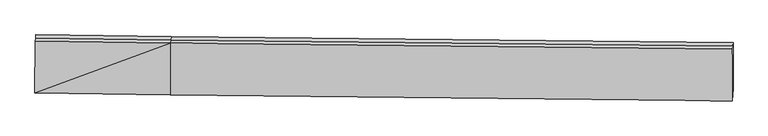
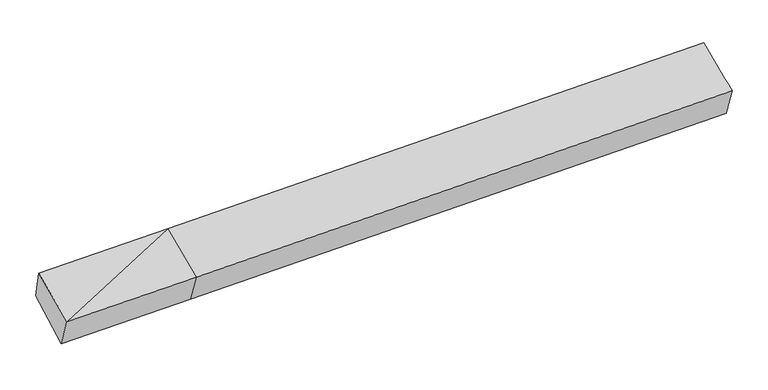
"""IFC4 building model written with IfcOpenShell, lengths in millimetres: proxy geometry."""

from ifc_helpers import new_model, si_unit, frame, origin, place, context, project, spatial, source, transform, mapped, element, save
from ifc_brep_helpers import plane_surface, spline_surface, advanced_brep


def generic_models_47d05ddd(model_context):
    return source(origin(), model_context, "Body", "AdvancedBrep", [
        advanced_brep(
        [(-2788.3340816, -1864.0902066, 1928.7614833), (-2778.505156, -1741.2451471, 1603.9666507), (-1426.3960418, -1761.390699, 1637.2645893), (-1436.2249674, -1884.2357586, 1962.0594219), (-2786.084462, -1341.9474455, 2153.3136132), (-1433.9753479, -1362.0929975, 2186.6115518), (-2781.9588128, -1310.1513317, 2005.022821), (-1429.8496986, -1330.2968836, 2038.3207596), (-2777.8331635, -1278.3552178, 1856.7320289), (-1425.7240494, -1298.5007697, 1890.0299675), (4195.4263605, -1389.3572863, 2180.6636453), (4191.3404808, -1420.8468992, 2327.5249772), (4188.8753573, -1944.6505352, 2110.7188401), (4198.8402478, -1820.7576027, 1781.0369352), (4199.5122402, -1357.8676735, 2033.8023134)],
        [
            (0, 1),
            (1, 2),
            (2, 3),
            (3, 0),
            (4, 0),
            (0, 5),
            (5, 4),
            (6, 4),
            (5, 7),
            (7, 6),
            (8, 6),
            (7, 9),
            (9, 8),
            (1, 8),
            (9, 2),
            (10, 11),
            (11, 12),
            (12, 13),
            (13, 14),
            (14, 10),
            (3, 5),
            (5, 11),
            (10, 7),
            (3, 12),
            (2, 13),
            (9, 14),
        ],
        [
            plane_surface(frame((-2783.4196188, -1802.6676768, 1766.364067), z_axis=(-0.0052195589682980555, -0.9352691603873969, -0.35389879038000444), x_axis=(0.028293706107288763, 0.3536237981901522, -0.9349597186768449))),
            plane_surface(frame((-2787.2092718, -1603.0188261, 2041.0375482), z_axis=(-0.028497588021171312, -0.3948093246912846, 0.9183210139236646), x_axis=(-0.003957913350082766, -0.918642362486614, -0.39507030357510514))),
            plane_surface(frame((-2784.0216374, -1326.0493886, 2079.1682171), z_axis=(0.009397828513977382, 0.9776792343430109, 0.2098928192046744), x_axis=(-0.02719298476322908, -0.20957458756404487, 0.9774144636882695))),
            plane_surface(frame((-2779.8959882, -1294.2532747, 1930.877425), z_axis=(0.009397828513977413, 0.977679234343011, 0.20989281920467334), x_axis=(-0.027192984763227398, -0.20957458756404387, 0.9774144636882697))),
            plane_surface(frame((-2778.1691597, -1509.8001824, 1730.3493398), z_axis=(0.028742897502601394, 0.47903103263635705, -0.8773272568514561), x_axis=(0.0012741445233050571, 0.87767161443761, 0.47926079932142707))),
            plane_surface(frame((4194.6420815, -1636.0306777, 2063.2707665), z_axis=(0.9995860255120061, -0.014893185751351951, 0.024616470488002872), x_axis=(-0.027192984763228113, -0.20957458756404462, 0.9774144636882695))),
            plane_surface(frame((-2782.6892158, -1556.4095042, 1885.693444), z_axis=(-0.9995860255120074, 0.01489318575133668, -0.02461647048796958), x_axis=(-0.028293706107287205, -0.3536237981901522, 0.934959718676845))),
            plane_surface(frame((-2788.3340816, -1864.0902066, 1928.7614833), z_axis=(-0.028497588021171295, -0.3948093246912846, 0.9183210139236646), x_axis=(-0.003957913350083242, -0.918642362486614, -0.39507030357510514))),
            plane_surface(frame((-1431.9125233, -1346.1949405, 2112.4661557), z_axis=(0.0049570152246881435, 0.9777357502584938, 0.20978138779816163), x_axis=(-0.02719298476322984, -0.20957458756404404, 0.9774144636882696))),
            spline_surface(1, 1, [[(-1433.9753479, -1362.0929975, 2186.6115518), (4191.3404808, -1420.8468992, 2327.5249772)], [(-1436.2249674, -1884.2357586, 1962.0594219), (4188.8753573, -1944.6505352, 2110.7188401)]], [2, 2], [2, 2], [0.0, 1.0], [0.0, 1.0]),
            spline_surface(1, 1, [[(-1436.2249674, -1884.2357586, 1962.0594219), (4188.8753573, -1944.6505352, 2110.7188401)], [(-1426.3960418, -1761.390699, 1637.2645893), (4198.8402478, -1820.7576027, 1781.0369352)]], [2, 2], [2, 2], [0.0, 1.0], [0.0, 1.0]),
            plane_surface(frame((-1426.0600456, -1529.9457344, 1763.6472784), z_axis=(0.027479637417539608, 0.47904947152520255, -0.8773576655838967), x_axis=(0.0012741445232968868, 0.8776716144376068, 0.47926079932143273))),
            plane_surface(frame((-1427.786874, -1314.3988267, 1964.1753636), z_axis=(0.00495701522468808, 0.9777357502584937, 0.20978138779816274), x_axis=(-0.027192984763226385, -0.20957458756404518, 0.9774144636882695))),
        ],
        [
            (0, [[1, 2, 3, 4]]),
            (1, [[5, 6, 7]]),
            (2, [[8, -7, 9, 10]]),
            (3, [[11, -10, 12, 13]]),
            (4, [[14, -13, 15, -2]]),
            (5, [[16, 17, 18, 19, 20]]),
            (6, [[-1, -5, -8, -11, -14]]),
            (7, [[21, -6, -4]]),
            (8, [[-9, 22, -16, 23]]),
            (9, [[-21, 24, -17, -22]]),
            (10, [[-3, 25, -18, -24]]),
            (11, [[-15, 26, -19, -25]]),
            (12, [[-12, -23, -20, -26]]),
        ],
    ),
    ])


if __name__ == "__main__":
    model = new_model("IFC4")
    model_context = context("Model", 3, world=origin())
    ifc_project = project(units=[si_unit("LENGTHUNIT", "METRE", prefix="MILLI")], contexts=[model_context])
    site = spatial("IfcSite", under=ifc_project)
    building = spatial("IfcBuilding", under=site)
    placement = place(None, origin())
    generic_models_shape = generic_models_47d05ddd(model_context)
    element("IfcBuildingElementProxy", 1, Name="Generic Models", at=placement, inside=building, context=model_context, shape_type="MappedRepresentation", body=[
        mapped(generic_models_shape, transform((0.0, 0.0, 0.0), x_axis=(1.0, 0.0, 0.0), y_axis=(0.0, 1.0, 0.0), z_axis=(0.0, 0.0, 1.0))),
    ])
    save(model, "model.ifc")
